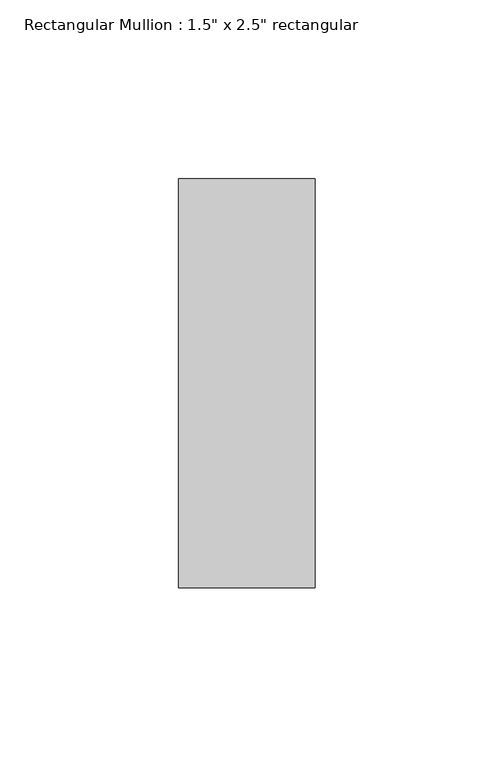
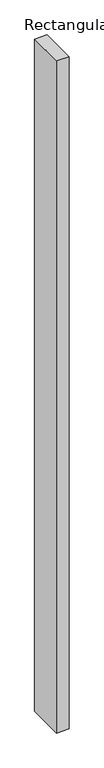
"""IFC4 building model written with IfcOpenShell, lengths in millimetres: member geometry."""

from ifc_helpers import new_model, si_unit, frame, origin, place, context, project, spatial, polyline, outline, extrude, source, transform, mapped, element, save


def member_c4668d3c(model_context):
    return source(origin(), model_context, "Body", "SweptSolid", [
        extrude(outline(polyline([(19.05, 57.15), (19.05, -57.15), (-19.05, -57.15), (-19.05, 57.15), (19.05, 57.15)])), frame((0.0, 0.0, -2152.65), z_axis=(0.0, 0.0, 1.0), x_axis=(1.0, 0.0, 0.0)), (0.0, 0.0, 1.0), 2152.65),
    ])


if __name__ == "__main__":
    model = new_model("IFC4")
    model_context = context("Model", 3, world=origin())
    ifc_project = project(units=[si_unit("LENGTHUNIT", "METRE", prefix="MILLI")], contexts=[model_context])
    site = spatial("IfcSite", under=ifc_project)
    building = spatial("IfcBuilding", under=site)
    placement = place(None, origin())
    member_shape = member_c4668d3c(model_context)
    element("IfcMember", 1, ObjectType="Rectangular Mullion : 1.5\" x 2.5\" rectangular", at=placement, inside=building, context=model_context, shape_type="MappedRepresentation", body=[
        mapped(member_shape, transform((0.0, 0.0, 0.0), x_axis=(1.0, 0.0, 0.0), y_axis=(0.0, 1.0, 0.0), z_axis=(0.0, 0.0, 1.0))),
    ])
    save(model, "model.ifc")
